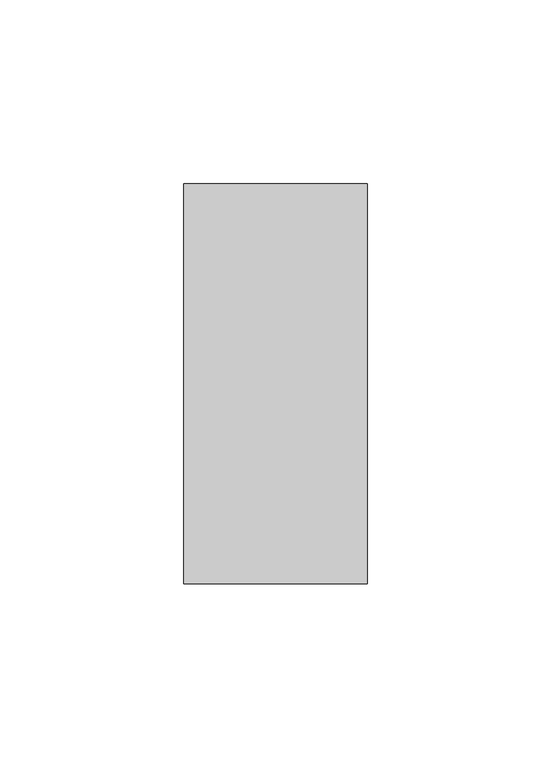
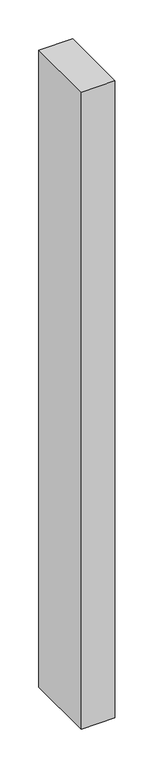
"""IFC4 building model written with IfcOpenShell, lengths in millimetres: member geometry."""

from ifc_helpers import new_model, si_unit, frame, origin, place, context, project, spatial, polyline, outline, extrude, source, transform, mapped, element, save


def member_6d4ecc17(model_context):
    return source(origin(), model_context, "Body", "SweptSolid", [
        extrude(outline(polyline([(-25.0, -18.0), (-25.0, 91.0), (25.0, 91.0), (25.0, -18.0), (-25.0, -18.0)])), frame((0.0, 0.0, -999.9999997), z_axis=(0.0, 0.0, 1.0), x_axis=(1.0, 0.0, 0.0)), (0.0, 0.0, 1.0), 999.9999997),
    ])


if __name__ == "__main__":
    model = new_model("IFC4")
    model_context = context("Model", 3, world=origin())
    ifc_project = project(units=[si_unit("LENGTHUNIT", "METRE", prefix="MILLI")], contexts=[model_context])
    site = spatial("IfcSite", under=ifc_project)
    building = spatial("IfcBuilding", under=site)
    placement = place(None, origin())
    member_shape = member_6d4ecc17(model_context)
    element("IfcMember", 1, at=placement, inside=building, context=model_context, shape_type="MappedRepresentation", body=[
        mapped(member_shape, transform((0.0, 0.0, 0.0), x_axis=(1.0, 0.0, 0.0), y_axis=(0.0, 1.0, 0.0), z_axis=(0.0, 0.0, 1.0))),
    ])
    save(model, "model.ifc")
